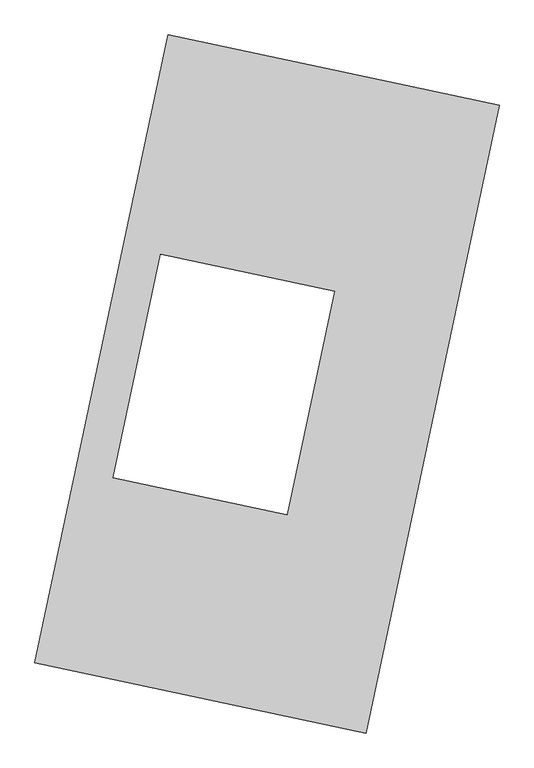
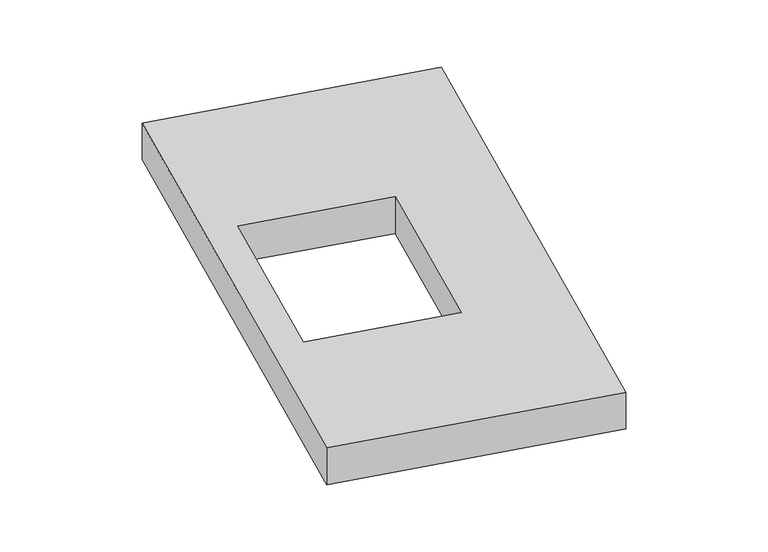
"""IFC4 building model written with IfcOpenShell, lengths in millimetres: proxy geometry."""

from ifc_helpers import new_model, si_unit, origin, origin_with_axes, place, context, project, spatial, polyline, outline, extrude, source, transform, mapped, element, save


def generic_models_801ec687(model_context):
    return source(origin(), model_context, "Body", "SweptSolid", [
        extrude(outline(polyline([(-617.3692021, 2175.5580432), (1447.7508745, 1737.3010494), (617.3692021, -2175.5580432), (-1447.7508745, -1737.3010494), (-617.3692021, 2175.5580432)]), holes=[polyline([(422.3974083, 579.3001451), (-663.668486, 809.7835825), (-959.7624652, -585.4471376), (126.3034291, -815.930575), (422.3974083, 579.3001451)])]), origin_with_axes(), (0.0, 0.0, 1.0), 300.0),
    ])


if __name__ == "__main__":
    model = new_model("IFC4")
    model_context = context("Model", 3, world=origin())
    ifc_project = project(units=[si_unit("LENGTHUNIT", "METRE", prefix="MILLI")], contexts=[model_context])
    site = spatial("IfcSite", under=ifc_project)
    building = spatial("IfcBuilding", under=site)
    placement = place(None, origin())
    generic_models_shape = generic_models_801ec687(model_context)
    element("IfcBuildingElementProxy", 1, Name="Generic Models", at=placement, inside=building, context=model_context, shape_type="MappedRepresentation", body=[
        mapped(generic_models_shape, transform((0.0, 0.0, 0.0), x_axis=(1.0, 0.0, 0.0), y_axis=(0.0, 1.0, 0.0), z_axis=(0.0, 0.0, 1.0))),
    ])
    save(model, "model.ifc")
